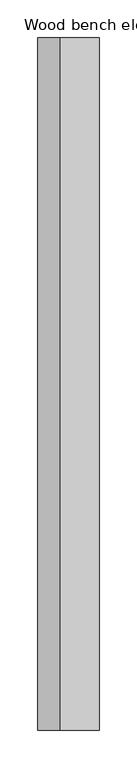
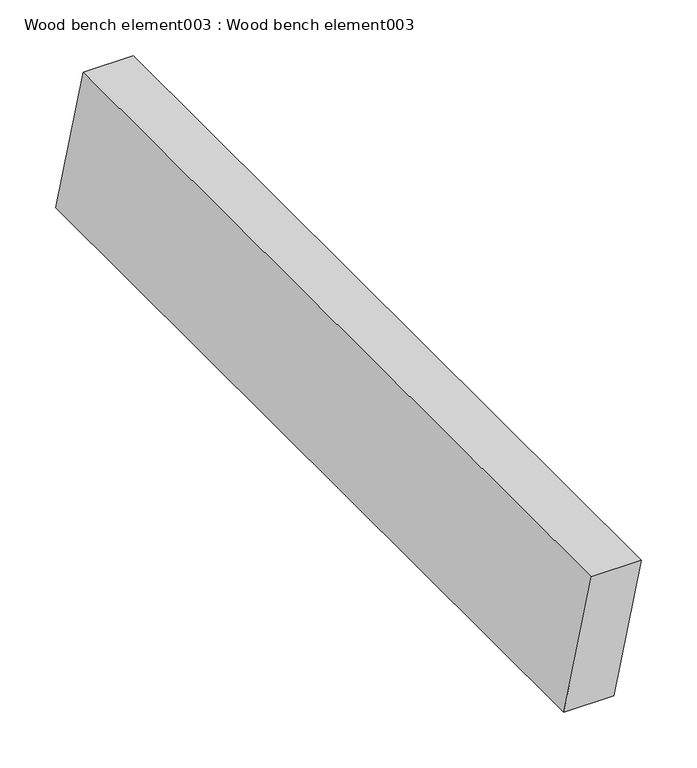
"""IFC4 building model written with IfcOpenShell, lengths in millimetres: proxy geometry, Wood bench element003 : Wood bench element003."""

from ifc_helpers import new_model, si_unit, frame, origin, place, context, project, spatial, polyline, outline, extrude, source, transform, mapped, element, save


def wood_bench_element003_wood_bench_element003_584fc414(model_context):
    return source(origin(), model_context, "Body", "SweptSolid", [
        extrude(outline(polyline([(762.1420166, 37977.4321049), (762.1420166, 37925.5413837), (623.3062768, 37896.6172713), (623.3062768, 37948.5079924), (762.1420166, 37977.4321049)])), frame((0.0, -19576.8264268, 0.0), z_axis=(0.0, 1.0, 0.0), x_axis=(0.0, 0.0, 1.0)), (0.0, 0.0, 1.0), 914.4),
    ])


if __name__ == "__main__":
    model = new_model("IFC4")
    model_context = context("Model", 3, world=origin())
    ifc_project = project(units=[si_unit("LENGTHUNIT", "METRE", prefix="MILLI")], contexts=[model_context])
    site = spatial("IfcSite", under=ifc_project)
    building = spatial("IfcBuilding", under=site)
    placement = place(None, origin())
    wood_bench_element003_wood_bench_element003_shape = wood_bench_element003_wood_bench_element003_584fc414(model_context)
    element("IfcBuildingElementProxy", 1, Name="Wood bench element003 : Wood bench element003", ObjectType="Wood bench element003 : Wood bench element003", at=placement, inside=building, context=model_context, shape_type="MappedRepresentation", body=[
        mapped(wood_bench_element003_wood_bench_element003_shape, transform((0.0, 0.0, 0.0), x_axis=(1.0, 0.0, 0.0), y_axis=(0.0, 1.0, 0.0), z_axis=(0.0, 0.0, 1.0))),
    ])
    save(model, "model.ifc")
